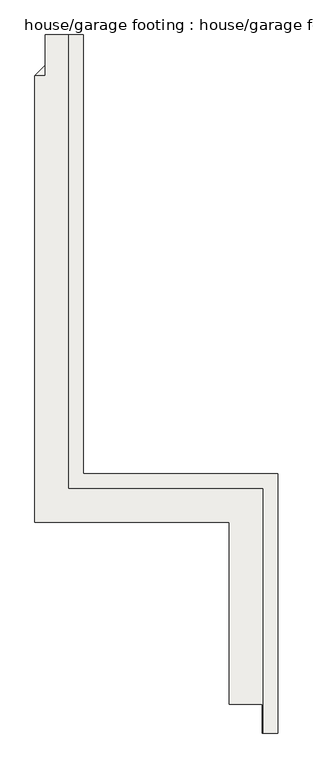
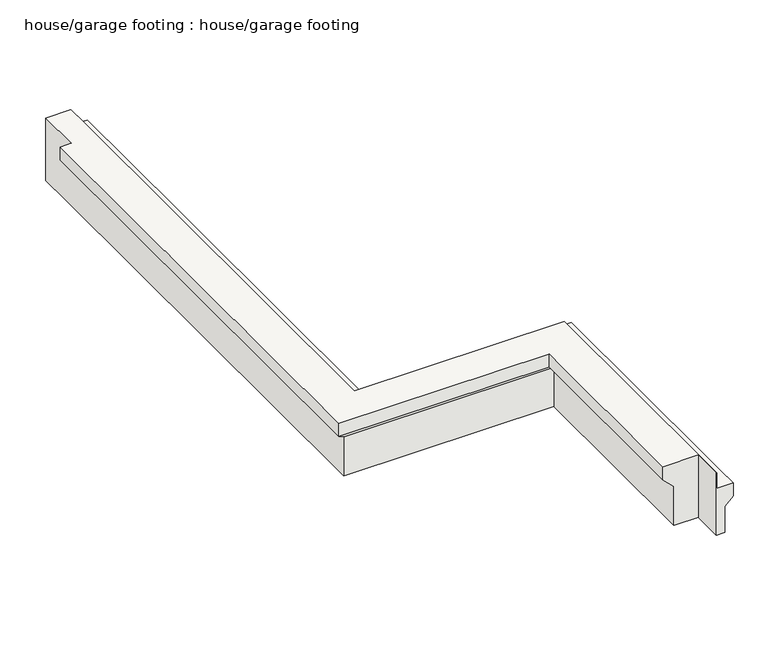
"""IFC4 building model written with IfcOpenShell, lengths in millimetres: slab geometry, house/garage footing : house/garage footing."""

from ifc_helpers import new_model, si_unit, origin, place, context, project, spatial, faceted_brep, source, transform, mapped, element, save


def house_garage_footing_house_garage_footing_089ee575(model_context):
    return source(origin(), model_context, "Body", "Brep", [
        faceted_brep([(-4116.4948603, 3430.8251285, -609.6), (-4116.4948603, 3430.8251285, -355.6), (-4040.2948603, 3430.8251285, -279.4), (-4040.2948603, 3430.8251285, -152.4), (-4189.5198603, 3430.8251285, -152.4), (-4189.5198603, 3430.8251285, 0.0), (-4195.8698603, 3430.8251285, 0.0), (-4195.8698603, 3430.8251285, -609.6), (-4116.4948603, 3735.6251285, -609.6), (-4116.4948603, 5945.4251285, -609.6), (-4116.4948603, 5945.4251285, -355.6), (-4116.4948603, 3786.4251285, -355.6), (-4040.2948603, 6021.6251285, -279.4), (-4040.2948603, 3862.6251285, -279.4), (-4040.2948603, 6021.6251285, -152.4), (-4040.2948603, 3862.6251285, -152.4), (-4040.2948603, 3634.0251285, -152.4), (-5983.3948603, 6021.6251285, -152.4), (-5983.3948603, 9974.5001285, -152.4), (-5983.3948603, 10203.1001285, -152.4), (-5983.3948603, 10406.3001285, -152.4), (-6132.6198603, 10406.3001285, -152.4), (-6132.6198603, 10203.1001285, -152.4), (-6132.6198603, 5872.4001285, -152.4), (-4189.5198603, 5872.4001285, -152.4), (-4189.5198603, 3634.0251285, -152.4), (-4189.5198603, 5872.4001285, 0.0), (-4189.5198603, 3634.0251285, 0.0), (-6132.6198603, 5872.4001285, 0.0), (-6132.6198603, 10203.1001285, 0.0), (-6132.6198603, 10406.3001285, 0.0), (-6364.3948603, 10406.3001285, 0.0), (-6364.3948603, 9999.9006732, 0.0), (-6465.9948603, 9999.9006732, 0.0), (-6465.9948603, 5539.0251285, 0.0), (-4522.8948603, 5539.0251285, 0.0), (-4522.8948603, 3719.0465334, 0.0), (-4195.8698603, 3719.0465334, 0.0), (-4522.8948603, 5539.0251285, -127.0), (-4522.8948603, 3719.0465334, -127.0), (-4421.2948603, 5640.6251285, -228.6), (-4421.2948603, 3719.0465334, -228.6), (-4421.2948603, 5640.6251285, -609.6), (-4421.2948603, 3719.0465334, -609.6), (-4195.8698603, 3719.0465334, -609.6), (-6364.3948603, 5640.6251285, -609.6), (-6364.3948603, 10101.5006732, -609.6), (-6364.3948603, 10406.3001285, -609.6), (-6059.5948603, 10406.3001285, -609.6), (-6059.5948603, 10101.5001285, -609.6), (-6059.5948603, 5945.4251285, -609.6), (-6059.5948603, 5945.4251285, -355.6), (-5983.3948603, 6021.6251285, -279.4), (-6465.9948603, 5539.0251285, -127.0), (-6364.3948603, 5640.6251285, -228.6), (-5983.3948603, 10406.3001285, -279.4), (-6059.5948603, 10406.3001285, -355.6), (-6059.5948603, 10050.7001285, -355.6), (-5983.3948603, 9974.5001285, -279.4), (-6465.9948603, 9999.9006732, -127.0), (-6364.3948603, 10101.5006732, -228.6), (-6364.3948603, 9999.9006732, -127.0)], [[[0, 1, 2, 3, 4, 5, 6, 7]], [[1, 0, 8, 9, 10, 11]], [[2, 1, 11, 10, 12, 13]], [[3, 2, 13, 12, 14, 15, 16]], [[4, 3, 16, 15, 14, 17, 18, 19, 20, 21, 22, 23, 24, 25]], [[5, 4, 25, 24, 26, 27]], [[5, 27, 26, 28, 29, 30, 31, 32, 33, 34, 35, 36, 37, 6]], [[35, 38, 39, 36]], [[38, 40, 41, 39]], [[40, 42, 43, 41]], [[9, 8, 0, 7, 44, 43, 42, 45, 46, 47, 48, 49, 50]], [[10, 9, 50, 51]], [[12, 10, 51, 52]], [[14, 12, 52, 17]], [[24, 23, 28, 26]], [[35, 34, 53, 38]], [[40, 38, 53, 54]], [[42, 40, 54, 45]], [[21, 20, 55, 56, 48, 47, 31, 30]], [[50, 49, 48, 56, 57, 51]], [[52, 51, 57, 56, 55, 58]], [[20, 19, 18, 17, 52, 58, 55]], [[23, 22, 21, 30, 29, 28]], [[53, 34, 33, 59]], [[54, 53, 59, 60]], [[45, 54, 60, 61, 32, 31, 47, 46]], [[32, 61, 59, 33]], [[61, 60, 59]], [[44, 37, 36, 39, 41, 43]], [[37, 44, 7, 6]]]),
    ])


if __name__ == "__main__":
    model = new_model("IFC4")
    model_context = context("Model", 3, world=origin())
    ifc_project = project(units=[si_unit("LENGTHUNIT", "METRE", prefix="MILLI")], contexts=[model_context])
    site = spatial("IfcSite", under=ifc_project)
    building = spatial("IfcBuilding", under=site)
    placement = place(None, origin())
    house_garage_footing_house_garage_footing_shape = house_garage_footing_house_garage_footing_089ee575(model_context)
    element("IfcSlab", 1, ObjectType="house/garage footing : house/garage footing", at=placement, inside=building, context=model_context, shape_type="MappedRepresentation", body=[
        mapped(house_garage_footing_house_garage_footing_shape, transform((0.0, 0.0, 0.0), x_axis=(1.0, 0.0, 0.0), y_axis=(0.0, 1.0, 0.0), z_axis=(0.0, 0.0, 1.0))),
    ])
    save(model, "model.ifc")
